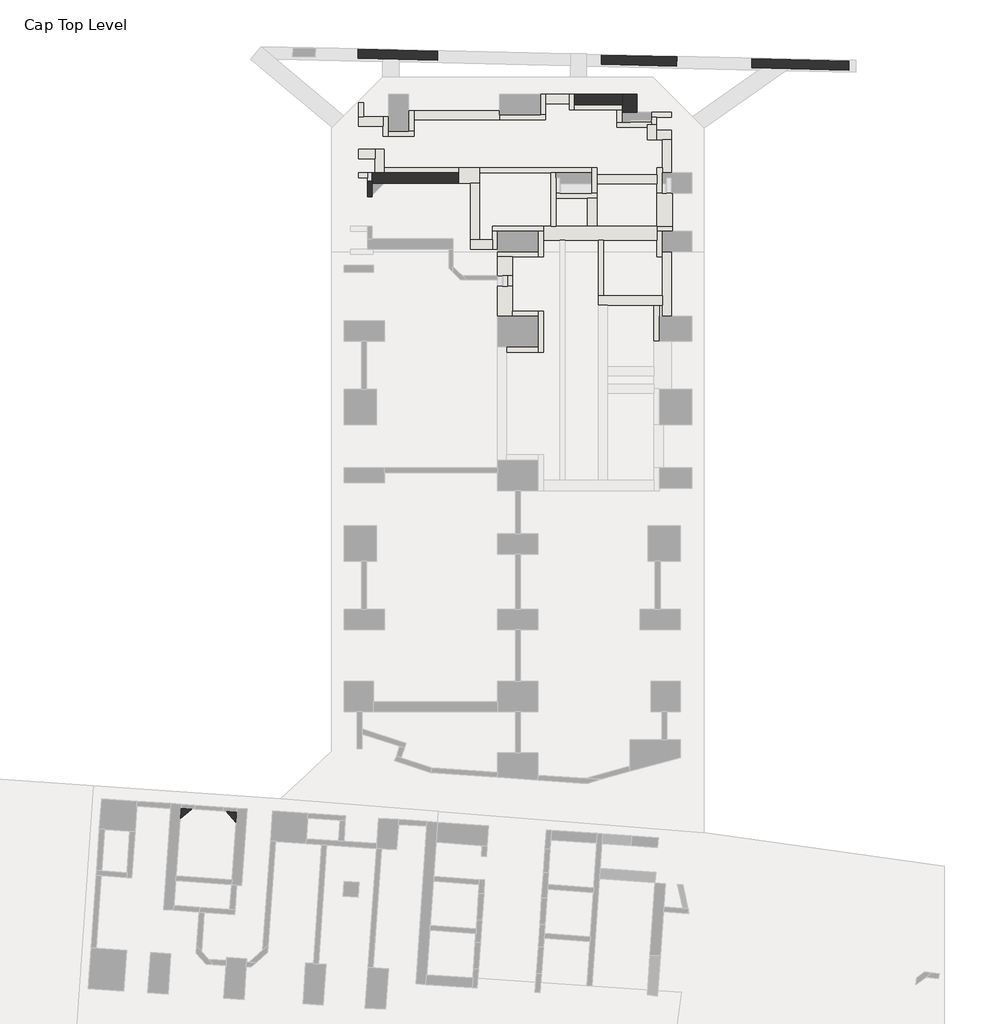
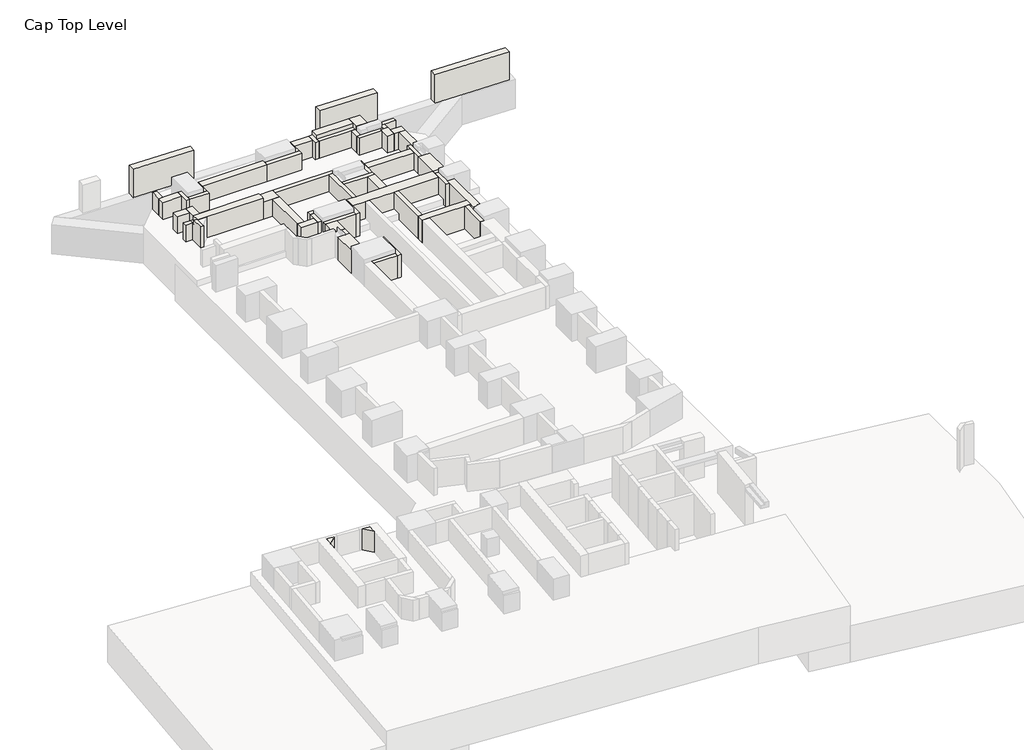
# One storey, part 3 of 5: 59 walls.
"""IFC4 building model written with IfcOpenShell, lengths in millimetres."""

import ifcopenshell
import ifcopenshell.guid

model = None  # the IFC model being written
_history = None  # IfcOwnerHistory: only IFC2X3 demands one
_inside = {}  # id of a spatial element -> (the spatial element, [elements in it])
_under = {}  # id of a project, library or spatial element -> (it, [spatial elements below it])
_declared = {}  # id of a project -> (the project, [libraries it declares])
_typed = {}  # id of a type object -> (the type object, [elements of that type])
_made_of = {}  # id of a material, layer set ... -> (it, [elements and type objects made of it])


def new_model(schema):
    """Start an empty IFC model of exactly this schema.

    Asked for "IFC4X3", IfcOpenShell would pick the latest addendum, in which some entities
    have other attributes; the version numbers below select the first issue.
    IFC2X3 requires an IfcOwnerHistory on every rooted entity: one is made here for all.
    """
    global model, _history
    if schema == "IFC4X3":
        model = ifcopenshell.file(schema_version=(4, 3, 0, 0))
    else:
        model = ifcopenshell.file(schema=schema)
    _inside.clear()
    _under.clear()
    _declared.clear()
    _typed.clear()
    _made_of.clear()
    _history = None
    if model.schema == "IFC2X3":
        org = make("IfcOrganization", Name="unknown")
        user = make(
            "IfcPersonAndOrganization",
            ThePerson=make("IfcPerson", FamilyName="unknown"),
            TheOrganization=org,
        )
        app = make(
            "IfcApplication",
            ApplicationDeveloper=org,
            Version="unknown",
            ApplicationFullName="unknown",
            ApplicationIdentifier="unknown",
        )
        _history = make(
            "IfcOwnerHistory",
            OwningUser=user,
            OwningApplication=app,
            ChangeAction="ADDED",
            CreationDate=0,
        )
    return model


def make(cls, **values):
    """One entity of the class cls with the attributes given. An attribute that is None is left unset."""
    return model.create_entity(
        cls, **{name: value for name, value in values.items() if value is not None}
    )


def rooted(cls, **values):
    """An entity with a GlobalId (a new one), such as an element, a storey or a relation."""
    return make(cls, GlobalId=ifcopenshell.guid.new(), OwnerHistory=_history, **values)


def si_unit(unit_type, name, prefix=None):
    """IfcSIUnit, for example si_unit("LENGTHUNIT", "METRE", prefix="MILLI")."""
    return make("IfcSIUnit", UnitType=unit_type, Prefix=prefix, Name=name)


def assignment(units):
    """IfcUnitAssignment: the units of a project."""
    return None if units is None else make("IfcUnitAssignment", Units=units)


def point(xyz):
    """IfcCartesianPoint."""
    return None if xyz is None else make("IfcCartesianPoint", Coordinates=xyz)


def direction(xyz):
    """IfcDirection."""
    return None if xyz is None else make("IfcDirection", DirectionRatios=xyz)


def frame(location, z_axis=None, x_axis=None):
    """IfcAxis2Placement3D, a coordinate frame: its origin and axes. An axis left out is left unset."""
    return make(
        "IfcAxis2Placement3D",
        Location=point(location),
        Axis=direction(z_axis),
        RefDirection=direction(x_axis),
    )


def origin():
    """The frame at (0, 0, 0) with its axes left unset."""
    return frame((0.0, 0.0, 0.0))


def place(relative_to, where):
    """IfcLocalPlacement: puts the frame where relative to a parent placement (None: the world)."""
    return make(
        "IfcLocalPlacement", PlacementRelTo=relative_to, RelativePlacement=where
    )


def context(
    kind, dimensions, precision=None, world=None, true_north=None, identifier=None
):
    """IfcGeometricRepresentationContext, for example the 3D "Model" context."""
    return make(
        "IfcGeometricRepresentationContext",
        ContextIdentifier=identifier,
        ContextType=kind,
        CoordinateSpaceDimension=dimensions,
        Precision=precision,
        WorldCoordinateSystem=world,
        TrueNorth=true_north,
    )


def project(units=None, contexts=None):
    """IfcProject with its units and contexts."""
    return rooted(
        "IfcProject",
        Name="project",
        RepresentationContexts=contexts,
        UnitsInContext=assignment(units),
    )


def spatial(cls, under=None, at=None, **own):
    """A site, building, storey or space (cls), placed at a placement, below another one or the project."""
    s = rooted(cls, ObjectPlacement=at, **own)
    if under is not None:
        _under.setdefault(under.id(), (under, []))[1].append(s)
    return s


def polyline(points):
    """IfcPolyline through the points."""
    return make("IfcPolyline", Points=[point(p) for p in points])


def outline(outer, holes=None, kind="AREA"):
    """IfcArbitraryClosedProfileDef: a profile drawn as a closed curve; with holes, ...WithVoids."""
    if holes is None:
        return make("IfcArbitraryClosedProfileDef", ProfileType=kind, OuterCurve=outer)
    return make(
        "IfcArbitraryProfileDefWithVoids",
        ProfileType=kind,
        OuterCurve=outer,
        InnerCurves=holes,
    )


def extrude(swept, where, along, depth):
    """IfcExtrudedAreaSolid: the profile swept, set in the frame where, extruded along a direction by depth."""
    return make(
        "IfcExtrudedAreaSolid",
        SweptArea=swept,
        Position=where,
        ExtrudedDirection=direction(along),
        Depth=depth,
    )


def faces_of(points, faces, orient=None, outer=None):
    """IfcFace entities. A face is a list of loops; a loop is a list of indices into points, from 0.

    orient and outer hold one flag for each loop. By default every Orientation is true, the
    first loop of a face is its IfcFaceOuterBound and the others are IfcFaceBound.
    """
    made = []
    for i, loops in enumerate(faces):
        bounds = []
        for j, loop in enumerate(loops):
            is_outer = j == 0 if outer is None else outer[i][j]
            bounds.append(
                make(
                    "IfcFaceOuterBound" if is_outer else "IfcFaceBound",
                    Bound=make("IfcPolyLoop", Polygon=[points[k] for k in loop]),
                    Orientation=True if orient is None else orient[i][j],
                )
            )
        made.append(make("IfcFace", Bounds=bounds))
    return made


def faceted_brep(points, faces, orient=None, outer=None, voids=None):
    """IfcFacetedBrep: a solid bounded by flat faces; with voids (closed shells), ...WithVoids."""
    shared = [point(p) for p in points]
    hull = make("IfcClosedShell", CfsFaces=faces_of(shared, faces, orient, outer))
    if voids is None:
        return make("IfcFacetedBrep", Outer=hull)
    return make(
        "IfcFacetedBrepWithVoids",
        Outer=hull,
        Voids=[
            make(cls, CfsFaces=faces_of(shared, fs, o, b)) for cls, fs, o, b in voids
        ],
    )


def shape(context_of_items, identifier, shape_type, items):
    """IfcShapeRepresentation: the items that make up one representation, for example the "Body"."""
    return make(
        "IfcShapeRepresentation",
        ContextOfItems=context_of_items,
        RepresentationIdentifier=identifier,
        RepresentationType=shape_type,
        Items=items,
    )


def source(mapping_origin, context_of_items, identifier, shape_type, items):
    """IfcRepresentationMap: a shape defined once, which mapped items show again and again."""
    return make(
        "IfcRepresentationMap",
        MappingOrigin=mapping_origin,
        MappedRepresentation=shape(context_of_items, identifier, shape_type, items),
    )


def transform(
    local_origin,
    x_axis=None,
    y_axis=None,
    z_axis=None,
    scale=None,
    scale2=None,
    scale3=None,
    uniform=True,
):
    """IfcCartesianTransformationOperator3D, or its non-uniform kind. x_axis, y_axis, z_axis: its Axis1, 2, 3."""
    if uniform:
        return make(
            "IfcCartesianTransformationOperator3D",
            Axis1=direction(x_axis),
            Axis2=direction(y_axis),
            LocalOrigin=point(local_origin),
            Scale=scale,
            Axis3=direction(z_axis),
        )
    return make(
        "IfcCartesianTransformationOperator3DnonUniform",
        Axis1=direction(x_axis),
        Axis2=direction(y_axis),
        LocalOrigin=point(local_origin),
        Scale=scale,
        Axis3=direction(z_axis),
        Scale2=scale2,
        Scale3=scale3,
    )


def mapped(mapping_source, mapping_target):
    """IfcMappedItem: shows the shape of a source again, moved by a transform."""
    return make(
        "IfcMappedItem", MappingSource=mapping_source, MappingTarget=mapping_target
    )


def made_of(thing, what):
    """Note that an element or type object is made of a material, layer set ...; save() writes the relation."""
    if what is not None:
        _made_of.setdefault(what.id(), (what, []))[1].append(thing)
    return thing


def element(
    cls,
    number,
    at=None,
    inside=None,
    cuts=None,
    type_object=None,
    material=None,
    context=None,
    identifier="Body",
    shape_type=None,
    held_by="IfcProductDefinitionShape",
    body=None,
    shapes=None,
    **own,
):
    """One element of the class cls, such as IfcWall. Its Tag is "e" and its number.

    at: its placement. inside: the storey or other place that contains it. cuts: it is an
    opening in that element (IfcRelVoidsElement). A single representation is given by context,
    identifier, shape_type and body (its items); several are given by shapes. held_by: the class
    of the entity that holds the representations. save() writes the other relations.
    """
    e = rooted(cls, Tag="e%d" % number, ObjectPlacement=at, **own)
    if body is not None:
        shapes = [shape(context, identifier, shape_type, body)]
    if shapes is not None:
        e.Representation = make(held_by, Representations=shapes)
    if inside is not None:
        _inside.setdefault(inside.id(), (inside, []))[1].append(e)
    if cuts is not None:
        rooted(
            "IfcRelVoidsElement", RelatingBuildingElement=cuts, RelatedOpeningElement=e
        )
    if type_object is not None:
        _typed.setdefault(type_object.id(), (type_object, []))[1].append(e)
    return made_of(e, material)


def aggregate(whole, parts):
    """IfcRelAggregates: a whole, such as a stair, and the parts it consists of."""
    return rooted("IfcRelAggregates", RelatingObject=whole, RelatedObjects=parts)


def save(model, path):
    """Write the relations noted so far, then the file.

    IfcRelAggregates (storeys below a building ...), IfcRelContainedInSpatialStructure (elements
    in a storey), IfcRelDefinesByType, IfcRelAssociatesMaterial and IfcRelDeclares: one each for
    every whole, place, type object, material and project.
    """
    for whole, parts in _under.values():
        aggregate(whole, parts)
    for where, things in _inside.values():
        rooted(
            "IfcRelContainedInSpatialStructure",
            RelatedElements=things,
            RelatingStructure=where,
        )
    for kind, things in _typed.values():
        rooted("IfcRelDefinesByType", RelatedObjects=things, RelatingType=kind)
    for what, things in _made_of.values():
        rooted("IfcRelAssociatesMaterial", RelatedObjects=things, RelatingMaterial=what)
    for by, libraries in _declared.values():
        rooted("IfcRelDeclares", RelatingContext=by, RelatedDefinitions=libraries)
    model.write(path)


def w05_a_w05_a_e5d72831(model_context):
    return source(origin(), model_context, "Body", "SweptSolid", [
        extrude(outline(polyline([(-70745.0188341, 73532.6065915), (-71300.0260771, 73050.147308), (-71263.7527538, 73568.8800005), (-70745.0188341, 73532.6065915)])), frame((0.0, 0.0, 2650.0), z_axis=(0.0, 0.0, 1.0), x_axis=(1.0, 0.0, 0.0)), (0.0, 0.0, 1.0), 1440.0),
    ])


def w06_a_w06_a_5d75d4d6(model_context):
    return source(origin(), model_context, "Body", "SweptSolid", [
        extrude(outline(polyline([(-68530.4271807, 73377.7483479), (-68566.700547, 72859.0150405), (-69049.1604879, 73414.0217142), (-68530.4271807, 73377.7483479)])), frame((0.0, 0.0, 2650.0), z_axis=(0.0, 0.0, 1.0), x_axis=(1.0, 0.0, 0.0)), (0.0, 0.0, 1.0), 1440.0),
    ])


model = new_model("IFC4")

# Units and contexts
model_context = context("Model", 3, world=origin())
ifc_project = project(units=[si_unit("LENGTHUNIT", "METRE", prefix="MILLI")], contexts=[model_context])

# Site, building, storey
site = spatial("IfcSite", under=ifc_project)
building = spatial("IfcBuilding", under=site)
storey = spatial("IfcBuildingStorey", under=building, Name="Cap Top Level", Elevation=2650.0)

# Walls
placement = place(None, origin())
element("IfcWall", 1, at=placement, inside=storey, context=model_context, shape_type="Brep", body=[
    faceted_brep([(-49602.666314, 108595.279924, 2650.0), (-51952.6663365, 108595.2799238, 2650.0), (-51952.6663365, 108595.2799238, 3815.0), (-51952.6663365, 108595.2799238, 4090.0), (-49602.666314, 108595.279924, 4090.0), (-49602.6663139, 108095.279924, 2650.0), (-49602.6663139, 108095.279924, 4090.0), (-51952.6663363, 108095.2799238, 4090.0), (-51952.6663363, 108095.2799238, 2650.0)], [[[0, 1, 2, 3, 4]], [[5, 6, 7, 8]], [[1, 0, 5, 8]], [[4, 3, 7, 6]], [[0, 4, 6, 5]], [[3, 2, 1, 8, 7]]]),
])
element("IfcWall", 2, at=placement, inside=storey, context=model_context, shape_type="Brep", body=[
    faceted_brep([(-48887.6663139, 107730.2798639, 2650.0), (-48887.666314, 108595.2799241, 2650.0), (-48887.666314, 108595.2799241, 4090.0), (-48887.6663139, 107730.2798639, 4090.0), (-49602.6663139, 107730.2798638, 2650.0), (-49602.6663139, 107730.2798638, 4090.0), (-49602.6663139, 108095.279924, 4090.0), (-49602.666314, 108595.279924, 4090.0), (-49602.666314, 108595.279924, 2650.0), (-49602.6663139, 108095.279924, 2650.0)], [[[0, 1, 2, 3]], [[4, 5, 6, 7, 8, 9]], [[1, 0, 4, 9, 8]], [[3, 2, 7, 6, 5]], [[0, 3, 5, 4]], [[2, 1, 8, 7]]]),
])
element("IfcWall", 3, at=placement, inside=storey, context=model_context, shape_type="Brep", body=[
    faceted_brep([(-57642.6663146, 104745.2799261, 4090.0), (-57642.6663146, 104745.2799261, 3815.0), (-57642.6663146, 104745.2799261, 2650.0), (-61292.6663133, 104745.2799261, 2650.0), (-61742.6663133, 104745.2799261, 2650.0), (-61892.6223736, 104745.2799261, 2650.0), (-61892.6223736, 104745.2799261, 3815.0), (-61892.6223736, 104745.2799261, 4090.0), (-57642.6663146, 104245.2799261, 2650.0), (-57642.6663146, 104245.2799261, 3815.0), (-57642.6663146, 104245.2799261, 4090.0), (-61892.6223736, 104245.2799261, 4090.0), (-61892.6223736, 104245.2799261, 2650.0), (-61892.6223736, 104345.2799267, 4090.0), (-57642.6663146, 104445.279923, 4090.0)], [[[0, 1, 2, 3, 4, 5, 6, 7]], [[8, 9, 10, 11, 12]], [[5, 4, 3, 2, 8, 12]], [[0, 7, 13, 11, 10, 14]], [[0, 14, 10, 9, 8, 2, 1]], [[7, 6, 5, 12, 11, 13]]]),
])
element("IfcWall", 4, at=placement, inside=storey, context=model_context, shape_type="Brep", body=[
    faceted_brep([(-62092.6223736, 104745.2799261, 2650.0), (-62092.6223736, 104495.2799232, 2650.0), (-62092.6223735, 103575.2794444, 2650.0), (-62092.6223735, 103575.2794444, 4090.0), (-62092.6223736, 104345.2799267, 4090.0), (-62092.6223736, 104345.2799267, 3815.0), (-62092.6223736, 104495.2799232, 3815.0), (-62092.6223736, 104745.2799261, 3815.0), (-61892.6223736, 104745.2799261, 2650.0), (-61892.6223736, 104745.2799261, 3815.0), (-61892.6223736, 104345.2799267, 3815.0), (-61892.6223736, 104345.2799267, 4090.0), (-61892.6223736, 104245.2799261, 4090.0), (-61892.6223735, 103657.4769045, 4090.0), (-61892.6223735, 103575.2794444, 4090.0), (-61892.6223735, 103575.2794444, 3690.0), (-61892.6223735, 103575.2794444, 2650.0), (-61892.6223735, 103657.4769045, 2650.0), (-61892.6223736, 104245.2799261, 2650.0)], [[[0, 1, 2, 3, 4, 5, 6, 7]], [[8, 9, 10, 11, 12, 13, 14, 15, 16, 17, 18]], [[2, 1, 0, 8, 18, 17, 16]], [[3, 2, 16, 15, 14]], [[4, 3, 14, 13, 12, 11]], [[5, 10, 9, 7, 6]], [[0, 7, 9, 8]], [[5, 4, 11, 10]]]),
])
element("IfcWall", 5, at=placement, inside=storey, context=model_context, shape_type="Brep", body=[
    faceted_brep([(-59832.6663148, 106795.2799226, 2650.0), (-60082.6663148, 106795.2799226, 2650.0), (-61082.6663367, 106795.2799225, 2650.0), (-61082.6663367, 106795.2799225, 3815.0), (-60082.6663148, 106795.2799226, 3815.0), (-59832.6663148, 106795.2799226, 3815.0), (-59832.6663148, 106545.2799226, 2650.0), (-59832.6663148, 106545.2799226, 3815.0), (-61082.6663367, 106545.2799225, 3815.0), (-61082.6663367, 106545.2799225, 2650.0)], [[[0, 1, 2, 3, 4, 5]], [[6, 7, 8, 9]], [[2, 1, 0, 6, 9]], [[5, 4, 3, 8, 7]], [[0, 5, 7, 6]], [[3, 2, 9, 8]]]),
])
element("IfcWall", 6, at=placement, inside=storey, context=model_context, shape_type="Brep", body=[
    faceted_brep([(-53377.6663309, 107595.2799235, 2650.0), (-53627.6663309, 107595.2799235, 2650.0), (-55627.6663309, 107595.2799236, 2650.0), (-55627.6663309, 107595.2799236, 3815.0), (-53627.6663309, 107595.2799235, 3815.0), (-53377.6663309, 107595.2799235, 3815.0), (-53377.6663309, 107345.2799235, 2650.0), (-53377.6663309, 107345.2799235, 3815.0), (-55627.6663309, 107345.2799236, 3815.0), (-55627.6663309, 107345.2799236, 2650.0)], [[[0, 1, 2, 3, 4, 5]], [[6, 7, 8, 9]], [[2, 1, 0, 6, 9]], [[3, 2, 9, 8]], [[5, 4, 3, 8, 7]], [[0, 5, 7, 6]]]),
])
element("IfcWall", 7, at=placement, inside=storey, context=model_context, shape_type="Brep", body=[
    faceted_brep([(-53627.6663309, 108595.2799235, 2650.0), (-53627.6663309, 107595.2799235, 2650.0), (-53627.6663309, 107595.2799235, 3815.0), (-53627.6663309, 108595.2799235, 3815.0), (-53377.6663309, 108595.2799235, 2650.0), (-53377.6663309, 108595.2799235, 3815.0), (-53377.6663309, 108145.2799235, 3815.0), (-53377.6663309, 107595.2799235, 3815.0), (-53377.6663309, 107595.2799235, 2650.0), (-53377.6663309, 108145.2799235, 2650.0)], [[[0, 1, 2, 3]], [[4, 5, 6, 7, 8, 9]], [[1, 0, 4, 9, 8]], [[3, 2, 7, 6, 5]], [[2, 1, 8, 7]], [[0, 3, 5, 4]]]),
])
element("IfcWall", 8, at=placement, inside=storey, context=model_context, shape_type="Brep", body=[
    faceted_brep([(-49602.6663146, 108095.2799241, 2650.0), (-51952.6663363, 108095.2799235, 2650.0), (-51952.6663363, 108095.2799235, 3815.0), (-49602.6663146, 108095.2799241, 3815.0), (-49602.6663145, 107845.2799241, 2650.0), (-49602.6663145, 107845.2799241, 3815.0), (-49852.6663145, 107845.279924, 3815.0), (-51952.6663362, 107845.2799235, 3815.0), (-51952.6663362, 107845.2799235, 2650.0), (-49852.6663145, 107845.279924, 2650.0)], [[[0, 1, 2, 3]], [[4, 5, 6, 7, 8, 9]], [[1, 0, 4, 9, 8]], [[3, 2, 7, 6, 5]], [[2, 1, 8, 7]], [[0, 3, 5, 4]]]),
])
element("IfcWall", 9, at=placement, inside=storey, context=model_context, shape_type="Brep", body=[
    faceted_brep([(-51952.6663362, 107845.2799235, 2650.0), (-51952.6663363, 108095.2799235, 2650.0), (-51952.6663365, 108595.2799238, 2650.0), (-51952.6663365, 108595.2799238, 3815.0), (-51952.6663363, 108095.2799235, 3815.0), (-51952.6663362, 107845.2799235, 3815.0), (-52202.6663362, 107845.2799234, 2650.0), (-52202.6663362, 107845.2799234, 3815.0), (-52202.6663363, 108145.2799237, 3815.0), (-52202.6663365, 108595.2799238, 3815.0), (-52202.6663365, 108595.2799238, 2650.0), (-52202.6663363, 108145.2799237, 2650.0)], [[[0, 1, 2, 3, 4, 5]], [[6, 7, 8, 9, 10, 11]], [[2, 1, 0, 6, 11, 10]], [[5, 4, 3, 9, 8, 7]], [[0, 5, 7, 6]], [[3, 2, 10, 9]]]),
])
element("IfcWall", 10, at=placement, inside=storey, context=model_context, shape_type="SweptSolid", body=[
    extrude(outline(polyline([(-49602.6663145, 107845.2799241), (-49602.6663141, 107230.2799204), (-49852.6663141, 107230.2799204), (-49852.6663145, 107845.279924), (-49602.6663145, 107845.2799241)])), frame((0.0, 0.0, 2650.0), z_axis=(0.0, 0.0, 1.0), x_axis=(1.0, 0.0, 0.0)), (0.0, 0.0, 1.0), 1165.0),
])
element("IfcWall", 11, at=placement, inside=storey, context=model_context, shape_type="SweptSolid", body=[
    extrude(outline(polyline([(-57642.6663146, 104745.2799308), (-61292.6663133, 104745.2799308), (-61292.6663133, 104995.2799308), (-57642.6663146, 104995.2799308), (-57642.6663146, 104745.2799308)])), frame((0.0, 0.0, 2650.0), z_axis=(0.0, 0.0, 1.0), x_axis=(1.0, 0.0, 0.0)), (0.0, 0.0, 1.0), 1165.0),
])
element("IfcWall", 12, at=placement, inside=storey, context=model_context, shape_type="Brep", body=[
    faceted_brep([(-55977.666314, 101880.2799217, 2650.0), (-55727.666314, 101880.2799218, 2650.0), (-53477.6663354, 101880.2799219, 2650.0), (-53477.6663354, 101880.2799219, 3815.0), (-53727.6663354, 101880.2799219, 3815.0), (-55727.666314, 101880.2799218, 3815.0), (-55977.666314, 101880.2799217, 3815.0), (-55977.666314, 102130.2799217, 2650.0), (-55977.666314, 102130.2799217, 3815.0), (-53477.6663354, 102130.2799219, 3815.0), (-53477.6663354, 102130.2799219, 2650.0)], [[[0, 1, 2, 3, 4, 5, 6]], [[7, 8, 9, 10]], [[2, 1, 0, 7, 10]], [[6, 5, 4, 3, 9, 8]], [[0, 6, 8, 7]], [[3, 2, 10, 9]]]),
])
element("IfcWall", 13, at=placement, inside=storey, context=model_context, shape_type="Brep", body=[
    faceted_brep([(-56602.666316, 104745.2799249, 2650.0), (-53102.6663148, 104745.2799249, 2650.0), (-52852.6663148, 104745.2799249, 2650.0), (-51102.6663134, 104745.2799249, 2650.0), (-51102.6663134, 104745.2799249, 3815.0), (-52852.6663148, 104745.2799249, 3815.0), (-53102.6663148, 104745.2799249, 3815.0), (-56602.666316, 104745.2799249, 3815.0), (-56602.666316, 104995.2799249, 2650.0), (-56602.666316, 104995.2799249, 3815.0), (-51102.6663134, 104995.2799249, 3815.0), (-51102.6663134, 104995.2799249, 2650.0)], [[[0, 1, 2, 3, 4, 5, 6, 7]], [[8, 9, 10, 11]], [[3, 2, 1, 0, 8, 11]], [[7, 6, 5, 4, 10, 9]], [[0, 7, 9, 8]], [[4, 3, 11, 10]]]),
])
element("IfcWall", 14, at=placement, inside=storey, context=model_context, shape_type="SweptSolid", body=[
    extrude(outline(polyline([(-53377.6663309, 108595.2799235), (-52202.6663365, 108595.2799237), (-52202.6663363, 108145.2799237), (-53377.6663309, 108145.2799235), (-53377.6663309, 108595.2799235)])), frame((0.0, 0.0, 2650.0), z_axis=(0.0, 0.0, 1.0), x_axis=(1.0, 0.0, 0.0)), (0.0, 0.0, 1.0), 1165.0),
])
element("IfcWall", 15, at=placement, inside=storey, context=model_context, shape_type="Brep", body=[
    faceted_brep([(-61332.6663367, 107495.279922, 2650.0), (-62292.6663137, 107495.279922, 2650.0), (-62542.6663137, 107495.279922, 2650.0), (-62542.6663137, 107495.279922, 3815.0), (-62292.6663137, 107495.279922, 3815.0), (-61332.6663367, 107495.279922, 3815.0), (-61332.6663367, 107045.279922, 2650.0), (-61332.6663367, 107045.279922, 3815.0), (-62542.6663136, 107045.279922, 3815.0), (-62542.6663136, 107045.279922, 2650.0)], [[[0, 1, 2, 3, 4, 5]], [[6, 7, 8, 9]], [[2, 1, 0, 6, 9]], [[5, 4, 3, 8, 7]], [[3, 2, 9, 8]], [[0, 5, 7, 6]]]),
])
element("IfcWall", 16, at=placement, inside=storey, context=model_context, shape_type="Brep", body=[
    faceted_brep([(-59832.6663148, 106795.2799226, 2650.0), (-59832.6663149, 107345.279923, 2650.0), (-59832.666315, 107795.279923, 2650.0), (-59832.666315, 107795.279923, 3815.0), (-59832.6663149, 107345.279923, 3815.0), (-59832.6663148, 106795.2799226, 3815.0), (-60082.6663148, 106795.2799226, 2650.0), (-60082.6663148, 106795.2799226, 3815.0), (-60082.666315, 107795.279923, 3815.0), (-60082.666315, 107795.279923, 2650.0)], [[[0, 1, 2, 3, 4, 5]], [[6, 7, 8, 9]], [[2, 1, 0, 6, 9]], [[5, 4, 3, 8, 7]], [[0, 5, 7, 6]], [[3, 2, 9, 8]]]),
])
element("IfcWall", 17, at=placement, inside=storey, context=model_context, shape_type="Brep", body=[
    faceted_brep([(-59832.6663149, 107345.279923, 2650.0), (-55627.6663309, 107345.279923, 2650.0), (-55627.6663309, 107345.279923, 3815.0), (-59832.6663149, 107345.279923, 3815.0), (-59832.666315, 107795.279923, 2650.0), (-59832.666315, 107795.279923, 3815.0), (-55627.6663309, 107795.279923, 3815.0), (-55627.6663309, 107795.279923, 2650.0), (-55627.6663309, 107595.2799236, 2650.0), (-55627.6663309, 107595.2799236, 3815.0)], [[[0, 1, 2, 3]], [[4, 5, 6, 7]], [[1, 0, 4, 7, 8]], [[2, 1, 8, 7, 6, 9]], [[3, 2, 9, 6, 5]], [[0, 3, 5, 4]]]),
])
element("IfcWall", 18, at=placement, inside=storey, context=model_context, shape_type="Brep", body=[
    faceted_brep([(-47887.6663084, 102130.2799218, 2650.0), (-50852.6663161, 102130.2799218, 2650.0), (-51302.6663161, 102130.2799218, 2650.0), (-52852.6663148, 102130.2799218, 2650.0), (-53102.6663148, 102130.2799218, 2650.0), (-53477.6663354, 102130.2799218, 2650.0), (-53477.6663354, 102130.2799218, 3815.0), (-53102.6663148, 102130.2799218, 3815.0), (-52852.6663148, 102130.2799218, 3815.0), (-51302.6663161, 102130.2799218, 3815.0), (-50852.6663161, 102130.2799218, 3815.0), (-47887.6663084, 102130.2799218, 3815.0), (-47887.6663084, 101430.2799218, 2650.0), (-47887.6663084, 101430.2799218, 3815.0), (-50527.6663155, 101430.2799218, 3815.0), (-50777.6663155, 101430.2799218, 3815.0), (-52402.6663115, 101430.2799218, 3815.0), (-52652.6663115, 101430.2799218, 3815.0), (-53477.6663354, 101430.2799218, 3815.0), (-53477.6663354, 101430.2799218, 2650.0), (-47887.6663084, 101880.2799218, 2650.0), (-53477.6663354, 101880.2799219, 2650.0), (-53477.6663354, 101880.2799219, 3815.0), (-47887.6663084, 101880.2799218, 3815.0)], [[[0, 1, 2, 3, 4, 5, 6, 7, 8, 9, 10, 11]], [[12, 13, 14, 15, 16, 17, 18, 19]], [[5, 4, 3, 2, 1, 0, 20, 12, 19, 21]], [[11, 10, 9, 8, 7, 6, 22, 18, 17, 16, 15, 14, 13, 23]], [[6, 5, 21, 19, 18, 22]], [[0, 11, 23, 13, 12, 20]]]),
])
element("IfcWall", 19, at=placement, inside=storey, context=model_context, shape_type="Brep", body=[
    faceted_brep([(-55977.666314, 101880.2799217, 2650.0), (-55977.6663139, 101455.2799217, 2650.0), (-55977.6663138, 101005.2799217, 2650.0), (-55977.6663138, 101005.2799217, 3815.0), (-55977.6663139, 101455.2799217, 3815.0), (-55977.666314, 101880.2799217, 3815.0), (-55727.666314, 101880.2799218, 2650.0), (-55727.666314, 101880.2799218, 3815.0), (-55727.6663138, 101005.2799218, 3815.0), (-55727.6663138, 101005.2799218, 2650.0)], [[[0, 1, 2, 3, 4, 5]], [[6, 7, 8, 9]], [[2, 1, 0, 6, 9]], [[5, 4, 3, 8, 7]], [[0, 5, 7, 6]], [[3, 2, 9, 8]]]),
])
element("IfcWall", 20, at=placement, inside=storey, context=model_context, shape_type="Brep", body=[
    faceted_brep([(-55977.6663139, 101455.2799217, 2650.0), (-56602.6663155, 101455.2799216, 2650.0), (-57052.6663155, 101455.2799216, 2650.0), (-57052.6663155, 101455.2799216, 3815.0), (-56602.6663155, 101455.2799216, 3815.0), (-55977.6663139, 101455.2799217, 3815.0), (-55977.6663138, 101005.2799217, 2650.0), (-55977.6663138, 101005.2799217, 3815.0), (-57052.6663154, 101005.2799216, 3815.0), (-57052.6663154, 101005.2799216, 2650.0)], [[[0, 1, 2, 3, 4, 5]], [[6, 7, 8, 9]], [[2, 1, 0, 6, 9]], [[5, 4, 3, 8, 7]], [[0, 5, 7, 6]], [[3, 2, 9, 8]]]),
])
element("IfcWall", 21, at=placement, inside=storey, context=model_context, shape_type="SweptSolid", body=[
    extrude(outline(polyline([(-56602.6663159, 104245.2799236), (-56602.6663155, 101455.2799216), (-57052.6663155, 101455.2799216), (-57052.6663159, 104245.2799236), (-56602.6663159, 104245.2799236)])), frame((0.0, 0.0, 2650.0), z_axis=(0.0, 0.0, 1.0), x_axis=(1.0, 0.0, 0.0)), (0.0, 0.0, 1.0), 1165.0),
])
element("IfcWall", 22, at=placement, inside=storey, context=model_context, shape_type="Brep", body=[
    faceted_brep([(-55727.6663364, 99195.2794407, 2250.0), (-55727.6663364, 97705.2799223, 2250.0), (-55727.6663364, 97705.2799223, 3815.0), (-55727.6663364, 99195.2794407, 3815.0), (-54977.6663364, 99195.2794407, 2250.0), (-54977.6663364, 99195.2794407, 3815.0), (-54977.6663364, 97955.2799223, 3815.0), (-54977.6663364, 97705.2799223, 3815.0), (-54977.6663364, 97705.2799223, 2250.0), (-54977.6663364, 97955.2799223, 2250.0), (-55227.6663069, 99195.2794407, 2250.0), (-55227.6663069, 99195.2794407, 3815.0), (-55477.5323139, 99195.2794407, 3815.0)], [[[0, 1, 2, 3]], [[4, 5, 6, 7, 8, 9]], [[1, 0, 10, 4, 9, 8]], [[3, 2, 7, 6, 5, 11, 12]], [[0, 3, 12, 11, 5, 4, 10]], [[2, 1, 8, 7]]]),
])
element("IfcWall", 23, at=placement, inside=storey, context=model_context, shape_type="Brep", body=[
    faceted_brep([(-57642.6663146, 104245.2799236, 2650.0), (-57052.6663159, 104245.2799236, 2650.0), (-56602.6663159, 104245.2799236, 2650.0), (-56602.6663159, 104245.2799236, 3815.0), (-57052.6663159, 104245.2799236, 3815.0), (-57642.6663146, 104245.2799236, 3815.0), (-57642.6663146, 104995.2799236, 2650.0), (-57642.6663146, 104995.2799236, 3815.0), (-56602.666316, 104995.2799236, 3815.0), (-56602.666316, 104995.2799236, 2650.0), (-57642.6663146, 104745.2799261, 2650.0), (-56602.666316, 104745.2799249, 2650.0), (-56602.666316, 104745.2799249, 3815.0), (-57642.6663146, 104745.2799308, 3815.0), (-57642.6663146, 104445.279923, 3815.0)], [[[0, 1, 2, 3, 4, 5]], [[6, 7, 8, 9]], [[2, 1, 0, 10, 6, 9, 11]], [[5, 4, 3, 12, 8, 7, 13, 14]], [[0, 5, 14, 13, 7, 6, 10]], [[3, 2, 11, 9, 8, 12]]]),
])
element("IfcWall", 24, at=placement, inside=storey, context=model_context, shape_type="Brep", body=[
    faceted_brep([(-47637.666313, 100880.2799242, 2250.0), (-47637.6663286, 98705.279444, 2250.0), (-47637.6663318, 98255.279444, 2250.0), (-47637.6663357, 97705.2794456, 2250.0), (-47637.6663357, 97705.2794456, 3815.0), (-47637.6663318, 98255.279444, 3815.0), (-47637.6663286, 98705.279444, 3815.0), (-47637.666313, 100880.2799242, 3815.0), (-47187.666313, 100880.279921, 2250.0), (-47187.666313, 100880.279921, 3815.0), (-47187.6663357, 97705.2794423, 3815.0), (-47187.6663357, 97705.2794423, 2250.0)], [[[0, 1, 2, 3, 4, 5, 6, 7]], [[8, 9, 10, 11]], [[3, 2, 1, 0, 8, 11]], [[4, 3, 11, 10]], [[7, 6, 5, 4, 10, 9]], [[0, 7, 9, 8]]]),
])
element("IfcWall", 25, at=placement, inside=storey, context=model_context, shape_type="SweptSolid", body=[
    extrude(outline(polyline([(-62558.6045306, 110812.6749899), (-58664.7429549, 110718.510083), (-58675.6220841, 110268.6416083), (-62569.4836597, 110362.8065152), (-62558.6045306, 110812.6749899)])), frame((0.0, 0.0, 2150.0), z_axis=(0.0, 0.0, 1.0), x_axis=(1.0, 0.0, 0.0)), (0.0, 0.0, 1.0), 1940.0),
])
element("IfcWall", 26, at=placement, inside=storey, context=model_context, shape_type="SweptSolid", body=[
    extrude(outline(polyline([(-46938.1159404, 109984.7925898), (-50627.0374331, 110074.001449), (-50616.158304, 110523.8699238), (-46927.2368112, 110434.6610646), (-46938.1159404, 109984.7925898)])), frame((0.0, 0.0, 2150.0), z_axis=(0.0, 0.0, 1.0), x_axis=(1.0, 0.0, 0.0)), (0.0, 0.0, 1.0), 1940.0),
])
element("IfcWall", 27, at=placement, inside=storey, context=model_context, shape_type="SweptSolid", body=[
    extrude(outline(polyline([(-38486.5246463, 109780.410467), (-43250.1319397, 109895.6083569), (-43239.2528106, 110345.4768317), (-38475.6455171, 110230.2789417), (-38486.5246463, 109780.410467)])), frame((0.0, 0.0, 2150.0), z_axis=(0.0, 0.0, 1.0), x_axis=(1.0, 0.0, 0.0)), (0.0, 0.0, 1.0), 1940.0),
])
element("IfcWall", 28, at=placement, inside=storey, context=model_context, shape_type="Brep", body=[
    faceted_brep([(-53102.6663148, 104745.2799249, 2650.0), (-53102.6663148, 102130.2799218, 2650.0), (-53102.6663148, 102130.2799218, 3815.0), (-53102.6663148, 104745.2799249, 3815.0), (-52852.6663148, 104745.2799249, 2650.0), (-52852.6663148, 104745.2799249, 3815.0), (-52852.6663148, 103745.280396, 3815.0), (-52852.6663148, 103495.280396, 3815.0), (-52852.6663148, 102130.2799218, 3815.0), (-52852.6663148, 102130.2799218, 2650.0), (-52852.6663148, 103495.280396, 2650.0), (-52852.6663148, 103745.280396, 2650.0)], [[[0, 1, 2, 3]], [[4, 5, 6, 7, 8, 9, 10, 11]], [[1, 0, 4, 11, 10, 9]], [[3, 2, 8, 7, 6, 5]], [[0, 3, 5, 4]], [[2, 1, 9, 8]]]),
])
element("IfcWall", 29, at=placement, inside=storey, context=model_context, shape_type="SweptSolid", body=[
    extrude(outline(polyline([(-47187.6663994, 106380.2796927), (-47187.6663993, 104745.2799248), (-47637.6663993, 104745.2799248), (-47637.6663994, 106380.2796927), (-47187.6663994, 106380.2796927)])), frame((0.0, 0.0, 2650.0), z_axis=(0.0, 0.0, 1.0), x_axis=(1.0, 0.0, 0.0)), (0.0, 0.0, 1.0), 1165.0),
])
element("IfcWall", 30, at=placement, inside=storey, context=model_context, shape_type="SweptSolid", body=[
    extrude(outline(polyline([(-50777.6663155, 98705.279444), (-50777.6663155, 101430.2799218), (-50527.6663155, 101430.2799218), (-50527.6663155, 98705.279444), (-50777.6663155, 98705.279444)])), frame((0.0, 0.0, 2250.0), z_axis=(0.0, 0.0, 1.0), x_axis=(1.0, 0.0, 0.0)), (0.0, 0.0, 1.0), 1565.0),
])
element("IfcWall", 31, at=placement, inside=storey, context=model_context, shape_type="SweptSolid", body=[
    extrude(outline(polyline([(-47137.6663083, 103745.2794443), (-47137.6663083, 102130.2799218), (-47887.6663083, 102130.2799218), (-47887.6663083, 103745.2794443), (-47137.6663083, 103745.2794443)])), frame((0.0, 0.0, 2650.0), z_axis=(0.0, 0.0, 1.0), x_axis=(1.0, 0.0, 0.0)), (0.0, 0.0, 1.0), 1165.0),
])
element("IfcWall", 32, at=placement, inside=storey, context=model_context, shape_type="Brep", body=[
    faceted_brep([(-53477.6663354, 100630.2799218, 2250.0), (-53477.6663354, 101880.2799219, 2250.0), (-53477.6663354, 101880.2799219, 2650.0), (-53477.6663354, 101880.2799219, 3815.0), (-53477.6663354, 101430.2799218, 3815.0), (-53477.6663354, 100630.2799218, 3815.0), (-53727.6663354, 100630.2799218, 2250.0), (-53727.6663354, 100630.2799218, 3815.0), (-53727.6663354, 100880.2799218, 3815.0), (-53727.6663354, 101880.2799219, 3815.0), (-53727.6663354, 101880.2799219, 2250.0), (-53727.6663354, 100880.2799218, 2250.0)], [[[0, 1, 2, 3, 4, 5]], [[6, 7, 8, 9, 10, 11]], [[1, 0, 6, 11, 10]], [[5, 4, 3, 9, 8, 7]], [[3, 2, 1, 10, 9]], [[0, 5, 7, 6]]]),
])
element("IfcWall", 33, at=placement, inside=storey, context=model_context, shape_type="SweptSolid", body=[
    extrude(outline(polyline([(-62292.6663138, 108195.2799232), (-62292.6663137, 107495.279922), (-62542.6663137, 107495.279922), (-62542.6663138, 108195.2799232), (-62292.6663138, 108195.2799232)])), frame((0.0, 0.0, 2650.0), z_axis=(0.0, 0.0, 1.0), x_axis=(1.0, 0.0, 0.0)), (0.0, 0.0, 1.0), 1165.0),
])
element("IfcWall", 34, at=placement, inside=storey, context=model_context, shape_type="Brep", body=[
    faceted_brep([(-61082.6663367, 106545.2799225, 2650.0), (-61082.6663367, 106795.2799225, 2650.0), (-61082.6663367, 107495.279922, 2650.0), (-61082.6663367, 107495.279922, 3815.0), (-61082.6663367, 106795.2799225, 3815.0), (-61082.6663367, 106545.2799225, 3815.0), (-61332.6663367, 106545.2799225, 2650.0), (-61332.6663367, 106545.2799225, 3815.0), (-61332.6663367, 107045.279922, 3815.0), (-61332.6663367, 107495.279922, 3815.0), (-61332.6663367, 107495.279922, 2650.0), (-61332.6663367, 107045.279922, 2650.0)], [[[0, 1, 2, 3, 4, 5]], [[6, 7, 8, 9, 10, 11]], [[2, 1, 0, 6, 11, 10]], [[5, 4, 3, 9, 8, 7]], [[0, 5, 7, 6]], [[3, 2, 10, 9]]]),
])
element("IfcWall", 35, at=placement, inside=storey, context=model_context, shape_type="Brep", body=[
    faceted_brep([(-49852.666314, 106980.2799204, 2650.0), (-48372.6662841, 106980.2799204, 2650.0), (-48372.6662841, 106980.2799204, 3815.0), (-49852.666314, 106980.2799204, 3815.0), (-49852.6663141, 107230.2799204, 2650.0), (-49852.6663141, 107230.2799204, 3815.0), (-49602.6663141, 107230.2799204, 3815.0), (-49187.5323165, 107230.2799204, 3815.0), (-48172.6662846, 107230.2799204, 3815.0), (-48172.6662846, 107230.2799204, 2650.0), (-49602.6663141, 107230.2799204, 2650.0), (-48172.6662846, 107105.2799204, 2650.0), (-48372.6662841, 107105.2799204, 2650.0), (-48372.6662841, 107105.2799204, 3815.0), (-48172.6662846, 107105.2799204, 3815.0)], [[[0, 1, 2, 3]], [[4, 5, 6, 7, 8, 9, 10]], [[1, 0, 4, 10, 9, 11, 12]], [[3, 2, 13, 14, 8, 7, 6, 5]], [[0, 3, 5, 4]], [[2, 1, 12, 13]], [[12, 11, 14, 13]], [[11, 9, 8, 14]]]),
])
element("IfcWall", 36, at=placement, inside=storey, context=model_context, shape_type="SweptSolid", body=[
    extrude(outline(polyline([(-53727.6663362, 95955.2799223), (-55277.6663351, 95955.2799223), (-55277.6663351, 96205.2799223), (-53727.6663362, 96205.2799223), (-53727.6663362, 95955.2799223)])), frame((0.0, 0.0, 2250.0), z_axis=(0.0, 0.0, 1.0), x_axis=(1.0, 0.0, 0.0)), (0.0, 0.0, 1.0), 1565.0),
])
element("IfcWall", 37, at=placement, inside=storey, context=model_context, shape_type="SweptSolid", body=[
    extrude(outline(polyline([(-53727.6663362, 97705.2799223), (-54977.6663364, 97705.2799223), (-54977.6663364, 97955.2799223), (-53727.6663362, 97955.2799223), (-53727.6663362, 97705.2799223)])), frame((0.0, 0.0, 2250.0), z_axis=(0.0, 0.0, 1.0), x_axis=(1.0, 0.0, 0.0)), (0.0, 0.0, 1.0), 1565.0),
])
element("IfcWall", 38, at=placement, inside=storey, context=model_context, shape_type="Brep", body=[
    faceted_brep([(-53727.6663362, 97955.2799223, 2250.0), (-53727.6663362, 97705.2799223, 2250.0), (-53727.6663362, 96205.2799223, 2250.0), (-53727.6663362, 95955.2799223, 2250.0), (-53727.6663362, 95955.2799223, 3815.0), (-53727.6663362, 96205.2799223, 3815.0), (-53727.6663362, 97705.2799223, 3815.0), (-53727.6663362, 97955.2799223, 3815.0), (-53477.6663362, 97955.2799223, 2250.0), (-53477.6663362, 97955.2799223, 3815.0), (-53477.6663362, 95955.2799223, 3815.0), (-53477.6663362, 95955.2799223, 2250.0)], [[[0, 1, 2, 3, 4, 5, 6, 7]], [[8, 9, 10, 11]], [[3, 2, 1, 0, 8, 11]], [[7, 6, 5, 4, 10, 9]], [[4, 3, 11, 10]], [[0, 7, 9, 8]]]),
])
element("IfcWall", 39, at=placement, inside=storey, context=model_context, shape_type="Brep", body=[
    faceted_brep([(-55727.6663071, 100630.2799218, 2250.0), (-54977.6663071, 100630.2799218, 2250.0), (-53727.6663354, 100630.2799218, 2250.0), (-53727.6663354, 100630.2799218, 3815.0), (-54977.6663071, 100630.2799218, 3815.0), (-55727.6663071, 100630.2799218, 3815.0), (-55727.6663071, 100880.2799218, 2250.0), (-55727.6663071, 100880.2799218, 3815.0), (-53727.6663354, 100880.2799218, 3815.0), (-53727.6663354, 100880.2799218, 2250.0)], [[[0, 1, 2, 3, 4, 5]], [[6, 7, 8, 9]], [[2, 1, 0, 6, 9]], [[5, 4, 3, 8, 7]], [[3, 2, 9, 8]], [[0, 5, 7, 6]]]),
])
element("IfcWall", 40, at=placement, inside=storey, context=model_context, shape_type="SweptSolid", body=[
    extrude(outline(polyline([(-50852.6663134, 104660.2794448), (-47887.666417, 104660.2794448), (-47887.6663944, 104210.2794448), (-50852.6663134, 104210.2794448), (-50852.6663134, 104660.2794448)])), frame((0.0, 0.0, 2650.0), z_axis=(0.0, 0.0, 1.0), x_axis=(1.0, 0.0, 0.0)), (0.0, 0.0, 1.0), 1165.0),
])
element("IfcWall", 41, at=placement, inside=storey, context=model_context, shape_type="SweptSolid", body=[
    extrude(outline(polyline([(-62542.6223736, 104745.2799232), (-62092.6223736, 104745.2799232), (-62092.6223736, 104495.2799232), (-62542.6223736, 104495.2799232), (-62542.6223736, 104745.2799232)])), frame((0.0, 0.0, 2650.0), z_axis=(0.0, 0.0, 1.0), x_axis=(1.0, 0.0, 0.0)), (0.0, 0.0, 1.0), 1165.0),
])
element("IfcWall", 42, at=placement, inside=storey, context=model_context, shape_type="Brep", body=[
    faceted_brep([(-61292.6663133, 104745.2799261, 2650.0), (-61292.6663133, 104995.2799308, 2650.0), (-61292.6663134, 105895.2799233, 2650.0), (-61292.6663134, 105895.2799233, 3815.0), (-61292.6663133, 104995.2799308, 3815.0), (-61292.6663133, 104745.2799261, 3815.0), (-61742.6663133, 104745.2799261, 2650.0), (-61742.6663133, 104745.2799261, 3815.0), (-61742.6663134, 105445.2799233, 3815.0), (-61742.6663134, 105895.2799233, 3815.0), (-61742.6663134, 105895.2799233, 2650.0), (-61742.6663134, 105445.2799233, 2650.0)], [[[0, 1, 2, 3, 4, 5]], [[6, 7, 8, 9, 10, 11]], [[2, 1, 0, 6, 11, 10]], [[5, 4, 3, 9, 8, 7]], [[0, 5, 7, 6]], [[3, 2, 10, 9]]]),
])
element("IfcWall", 43, at=placement, inside=storey, context=model_context, shape_type="SweptSolid", body=[
    extrude(outline(polyline([(-62542.6663135, 105895.2799233), (-61742.6663134, 105895.2799233), (-61742.6663134, 105445.2799233), (-62542.6663135, 105445.2799233), (-62542.6663135, 105895.2799233)])), frame((0.0, 0.0, 2650.0), z_axis=(0.0, 0.0, 1.0), x_axis=(1.0, 0.0, 0.0)), (0.0, 0.0, 1.0), 1165.0),
])
element("IfcWall", 44, at=placement, inside=storey, context=model_context, shape_type="Brep", body=[
    faceted_brep([(-48172.6662846, 107480.2799203, 2650.0), (-47922.6662846, 107480.2799203, 2650.0), (-47187.6663701, 107480.2799203, 2650.0), (-47187.6663701, 107480.2799203, 3815.0), (-47922.6662846, 107480.2799203, 3815.0), (-48172.6662846, 107480.2799203, 3815.0), (-48172.6662846, 107730.2799203, 2650.0), (-48172.6662846, 107730.2799203, 3815.0), (-47187.6663701, 107730.2799203, 3815.0), (-47187.6663701, 107730.2799203, 2650.0)], [[[0, 1, 2, 3, 4, 5]], [[6, 7, 8, 9]], [[2, 1, 0, 6, 9]], [[3, 2, 9, 8]], [[5, 4, 3, 8, 7]], [[0, 5, 7, 6]]]),
])
element("IfcWall", 45, at=placement, inside=storey, context=model_context, shape_type="Brep", body=[
    faceted_brep([(-47922.6662846, 107105.2799204, 2650.0), (-47922.6662846, 107480.2799203, 2650.0), (-47922.6662846, 107480.2799203, 3815.0), (-47922.6662846, 107105.2799204, 3815.0), (-48172.6662846, 107105.2799204, 2650.0), (-48172.6662846, 107105.2799204, 3815.0), (-48172.6662846, 107230.2799204, 3815.0), (-48172.6662846, 107480.2799203, 3815.0), (-48172.6662846, 107480.2799203, 2650.0), (-48172.6662846, 107230.2799204, 2650.0)], [[[0, 1, 2, 3]], [[4, 5, 6, 7, 8, 9]], [[1, 0, 4, 9, 8]], [[3, 2, 7, 6, 5]], [[0, 3, 5, 4]], [[2, 1, 8, 7]]]),
])
element("IfcWall", 46, at=placement, inside=storey, context=model_context, shape_type="Brep", body=[
    faceted_brep([(-47922.6662841, 106380.2796927, 2650.0), (-47922.6662841, 106830.2796927, 2650.0), (-47922.6662841, 107105.2799204, 2650.0), (-47922.6662841, 107105.2799204, 3815.0), (-47922.6662841, 106830.2796927, 3815.0), (-47922.6662841, 106380.2796927, 3815.0), (-48372.6662841, 106380.2796927, 2650.0), (-48372.6662841, 106380.2796927, 3815.0), (-48372.6662841, 106980.2799204, 3815.0), (-48372.6662841, 107105.2799204, 3815.0), (-48372.6662841, 107105.2799204, 2650.0), (-48372.6662841, 106980.2799204, 2650.0), (-48172.6662846, 107105.2799204, 2650.0), (-48172.6662846, 107105.2799204, 3815.0)], [[[0, 1, 2, 3, 4, 5]], [[6, 7, 8, 9, 10, 11]], [[2, 1, 0, 6, 11, 10, 12]], [[3, 2, 12, 10, 9, 13]], [[5, 4, 3, 13, 9, 8, 7]], [[0, 5, 7, 6]]]),
])
element("IfcWall", 47, at=placement, inside=storey, context=model_context, shape_type="Brep", body=[
    faceted_brep([(-47922.6662841, 106380.2796927, 2650.0), (-47637.6663994, 106380.2796927, 2650.0), (-47187.6663994, 106380.2796927, 2650.0), (-47187.6663994, 106380.2796927, 3815.0), (-47637.6663994, 106380.2796927, 3815.0), (-47922.6662841, 106380.2796927, 3815.0), (-47922.6662841, 106830.2796927, 2650.0), (-47922.6662841, 106830.2796927, 3815.0), (-47187.6663994, 106830.2796927, 3815.0), (-47187.6663994, 106830.2796927, 2650.0)], [[[0, 1, 2, 3, 4, 5]], [[6, 7, 8, 9]], [[2, 1, 0, 6, 9]], [[5, 4, 3, 8, 7]], [[3, 2, 9, 8]], [[0, 5, 7, 6]]]),
])
element("IfcWall", 48, at=placement, inside=storey, context=model_context, shape_type="Brep", body=[
    faceted_brep([(-47887.6664338, 104995.2794256, 2650.0), (-47887.666417, 104660.2794448, 2650.0), (-47887.6663944, 104210.2794448, 2650.0), (-47887.6663711, 103745.2794255, 2650.0), (-47887.6663711, 103745.2794255, 3815.0), (-47887.6663944, 104210.2794448, 3815.0), (-47887.666417, 104660.2794448, 3815.0), (-47887.6664338, 104995.2794256, 3815.0), (-47637.6664338, 104995.2794382, 2650.0), (-47637.6664338, 104995.2794382, 3815.0), (-47637.6663711, 103745.2794381, 3815.0), (-47637.6663711, 103745.2794381, 2650.0)], [[[0, 1, 2, 3, 4, 5, 6, 7]], [[8, 9, 10, 11]], [[3, 2, 1, 0, 8, 11]], [[4, 3, 11, 10]], [[7, 6, 5, 4, 10, 9]], [[0, 7, 9, 8]]]),
])
element("IfcWall", 49, at=placement, inside=storey, context=model_context, shape_type="Brep", body=[
    faceted_brep([(-47887.6663084, 101880.2799218, 2250.0), (-47887.6663084, 100630.2794446, 2250.0), (-47887.6663084, 100630.2794446, 3815.0), (-47887.6663084, 101430.2799218, 3815.0), (-47887.6663084, 101880.2799218, 3815.0), (-47887.6663084, 101880.2799218, 2650.0), (-47637.6663084, 101880.2799218, 2250.0), (-47637.6663084, 101880.2799218, 3815.0), (-47637.6663084, 100630.2794446, 3815.0), (-47637.6663084, 100630.2794446, 2250.0)], [[[0, 1, 2, 3, 4, 5]], [[6, 7, 8, 9]], [[1, 0, 6, 9]], [[2, 1, 9, 8]], [[4, 3, 2, 8, 7]], [[0, 5, 4, 7, 6]]]),
])
element("IfcWall", 50, at=placement, inside=storey, context=model_context, shape_type="Brep", body=[
    faceted_brep([(-51102.6663134, 104995.2799249, 2650.0), (-51102.6663134, 104745.2799249, 2650.0), (-51102.6663134, 103745.280396, 2650.0), (-51102.6663134, 103745.280396, 3815.0), (-51102.6663134, 104745.2799249, 3815.0), (-51102.6663134, 104995.2799249, 3815.0), (-50852.6663134, 104995.2799249, 2650.0), (-50852.6663134, 104995.2799249, 3815.0), (-50852.6663134, 104660.2794448, 3815.0), (-50852.6663134, 104210.2794448, 3815.0), (-50852.6663134, 103745.280396, 3815.0), (-50852.6663134, 103745.280396, 2650.0), (-50852.6663134, 104210.2794448, 2650.0), (-50852.6663134, 104660.2794448, 2650.0)], [[[0, 1, 2, 3, 4, 5]], [[6, 7, 8, 9, 10, 11, 12, 13]], [[2, 1, 0, 6, 13, 12, 11]], [[5, 4, 3, 10, 9, 8, 7]], [[0, 5, 7, 6]], [[3, 2, 11, 10]]]),
])
element("IfcWall", 51, at=placement, inside=storey, context=model_context, shape_type="Brep", body=[
    faceted_brep([(-52852.6663148, 103495.280396, 2650.0), (-51302.6663161, 103495.280396, 2650.0), (-50852.6663134, 103495.280396, 2650.0), (-50852.6663134, 103495.280396, 3815.0), (-51302.6663161, 103495.280396, 3815.0), (-52852.6663148, 103495.280396, 3815.0), (-52852.6663148, 103745.280396, 2650.0), (-52852.6663148, 103745.280396, 3815.0), (-51102.6663134, 103745.280396, 3815.0), (-50852.6663134, 103745.280396, 3815.0), (-50852.6663134, 103745.280396, 2650.0), (-51102.6663134, 103745.280396, 2650.0)], [[[0, 1, 2, 3, 4, 5]], [[6, 7, 8, 9, 10, 11]], [[2, 1, 0, 6, 11, 10]], [[5, 4, 3, 9, 8, 7]], [[0, 5, 7, 6]], [[3, 2, 10, 9]]]),
])
element("IfcWall", 52, at=placement, inside=storey, context=model_context, shape_type="SweptSolid", body=[
    extrude(outline(polyline([(-51302.6663161, 102130.2799218), (-51302.6663161, 103495.280396), (-50852.6663161, 103495.280396), (-50852.6663161, 102130.2799218), (-51302.6663161, 102130.2799218)])), frame((0.0, 0.0, 2650.0), z_axis=(0.0, 0.0, 1.0), x_axis=(1.0, 0.0, 0.0)), (0.0, 0.0, 1.0), 1165.0),
])
element("IfcWall", 53, at=placement, inside=storey, context=model_context, shape_type="SweptSolid", body=[
    extrude(outline(polyline([(-48037.6663085, 96480.279444), (-48037.6663085, 98255.279444), (-47787.6663085, 98255.279444), (-47787.6663085, 96480.279444), (-48037.6663085, 96480.279444)])), frame((0.0, 0.0, 2250.0), z_axis=(0.0, 0.0, 1.0), x_axis=(1.0, 0.0, 0.0)), (0.0, 0.0, 1.0), 1565.0),
])
element("IfcWall", 54, at=placement, inside=storey, context=model_context, shape_type="Brep", body=[
    faceted_brep([(-50777.6663155, 98255.279444, 2250.0), (-50327.6663155, 98255.279444, 2250.0), (-48037.6663085, 98255.279444, 2250.0), (-47787.6663085, 98255.279444, 2250.0), (-47637.6663318, 98255.279444, 2250.0), (-47637.6663318, 98255.279444, 3815.0), (-47787.6663085, 98255.279444, 3815.0), (-48037.6663085, 98255.279444, 3815.0), (-50327.6663155, 98255.279444, 3815.0), (-50777.6663155, 98255.279444, 3815.0), (-50777.6663155, 98705.279444, 2250.0), (-50777.6663155, 98705.279444, 3815.0), (-50527.6663155, 98705.279444, 3815.0), (-47637.6663286, 98705.279444, 3815.0), (-47637.6663286, 98705.279444, 2250.0), (-50527.6663155, 98705.279444, 2250.0)], [[[0, 1, 2, 3, 4, 5, 6, 7, 8, 9]], [[10, 11, 12, 13, 14, 15]], [[4, 3, 2, 1, 0, 10, 15, 14]], [[9, 8, 7, 6, 5, 13, 12, 11]], [[0, 9, 11, 10]], [[5, 4, 14, 13]]]),
])
element("IfcWall", 55, at=placement, inside=storey, context=model_context, shape_type="Brep", body=[
    faceted_brep([(-47887.6663084, 101880.2799218, 2650.0), (-47137.6663083, 101880.2799218, 2650.0), (-47137.6663083, 101880.2799218, 3815.0), (-47637.6663084, 101880.2799218, 3815.0), (-47887.6663084, 101880.2799218, 3815.0), (-47887.6663084, 102130.2799218, 2650.0), (-47887.6663084, 102130.2799218, 3815.0), (-47137.6663083, 102130.2799218, 3815.0), (-47137.6663083, 102130.2799218, 2650.0)], [[[0, 1, 2, 3, 4]], [[5, 6, 7, 8]], [[1, 0, 5, 8]], [[2, 1, 8, 7]], [[4, 3, 2, 7, 6]], [[0, 4, 6, 5]]]),
])
element("IfcWall", 56, at=placement, inside=storey, context=model_context, shape_type="Brep", body=[
    faceted_brep([(-55727.6663071, 100630.2799218, 2250.0), (-55727.6663071, 99695.2794407, 2250.0), (-55727.6663071, 99695.2794407, 3815.0), (-55727.6663071, 100630.2799218, 3815.0), (-54977.6663071, 100630.2799218, 2250.0), (-54977.6663071, 100630.2799218, 3815.0), (-54977.6663071, 99695.2794407, 3815.0), (-54977.6663071, 99695.2794407, 2250.0), (-55227.6663069, 99695.2794407, 2250.0), (-55227.6663069, 99695.2794407, 3815.0), (-55477.5323139, 99695.2794407, 3815.0)], [[[0, 1, 2, 3]], [[4, 5, 6, 7]], [[1, 0, 4, 7, 8]], [[2, 1, 8, 7, 6, 9, 10]], [[3, 2, 10, 9, 6, 5]], [[0, 3, 5, 4]]]),
])
element("IfcWall", 57, at=placement, inside=storey, context=model_context, shape_type="SweptSolid", body=[
    extrude(outline(polyline([(-55227.6663069, 99195.2794407), (-55227.6663069, 99695.2794408), (-54977.6663069, 99695.2794408), (-54977.6663069, 99195.2794407), (-55227.6663069, 99195.2794407)])), frame((0.0, 0.0, 2250.0), z_axis=(0.0, 0.0, 1.0), x_axis=(1.0, 0.0, 0.0)), (0.0, 0.0, 1.0), 1565.0),
])
w05_a_w05_a_shape = w05_a_w05_a_e5d72831(model_context)
element("IfcWall", 58, ObjectType="W05-a : W05-a", at=placement, inside=storey, context=model_context, shape_type="MappedRepresentation", body=[
    mapped(w05_a_w05_a_shape, transform((0.0, 0.0, 0.0), x_axis=(1.0, 0.0, 0.0), y_axis=(0.0, 1.0, 0.0), z_axis=(0.0, 0.0, 1.0))),
])
w06_a_w06_a_shape = w06_a_w06_a_5d75d4d6(model_context)
element("IfcWall", 59, ObjectType="W06-a : W06-a", at=placement, inside=storey, context=model_context, shape_type="MappedRepresentation", body=[
    mapped(w06_a_w06_a_shape, transform((0.0, 0.0, 0.0), x_axis=(1.0, 0.0, 0.0), y_axis=(0.0, 1.0, 0.0), z_axis=(0.0, 0.0, 1.0))),
])

save(model, "model.ifc")
